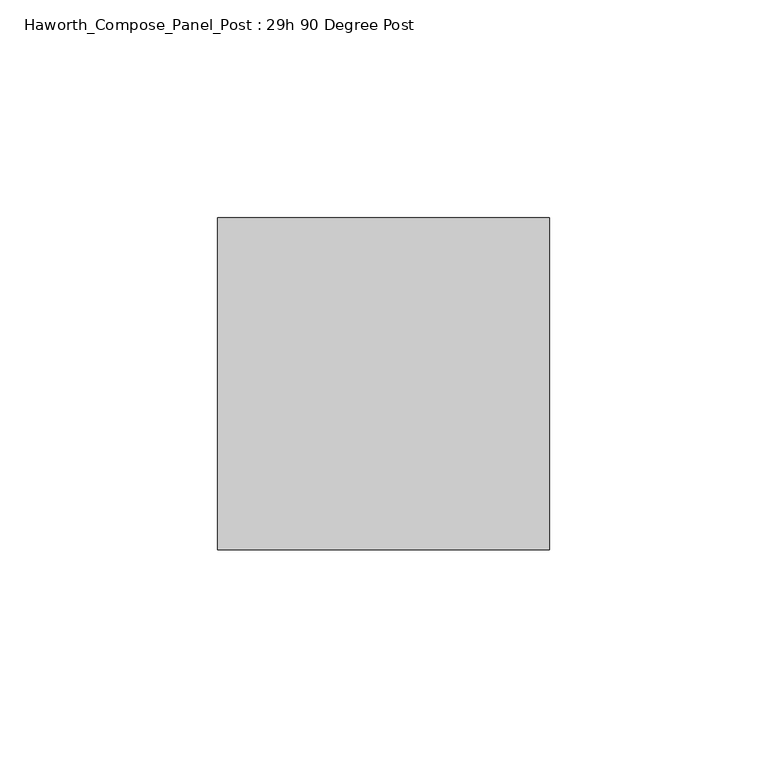
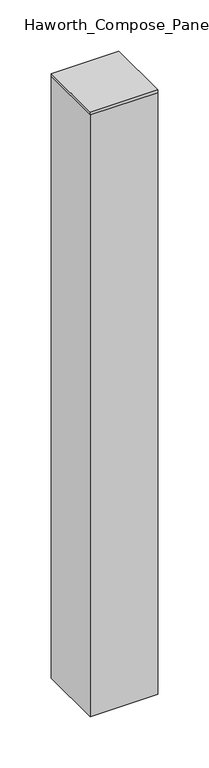
"""IFC4 building model written with IfcOpenShell, lengths in millimetres: furniture geometry, Haworth_Compose_Panel_Post : 29h 90 Degree Post."""

from ifc_helpers import new_model, si_unit, frame, origin, place, context, project, spatial, polyline, outline, extrude, source, transform, mapped, element, save


def haworth_compose_panel_post_29h_90_degree_post_e14872f3(model_context):
    return source(origin(), model_context, "Body", "SweptSolid", [
        extrude(outline(polyline([(0.0, 38.1), (76.2, 38.1), (76.2, -38.1), (0.0, -38.1), (0.0, 38.1)])), frame((0.0, 0.0, 730.25), z_axis=(0.0, 0.0, 1.0), x_axis=(1.0, 0.0, 0.0)), (0.0, 0.0, 1.0), 3.175),
        extrude(outline(polyline([(76.2, 38.1), (76.2, -38.1), (0.0, -38.1), (0.0, 38.1), (76.2, 38.1)])), frame((0.0, 0.0, 12.7), z_axis=(0.0, 0.0, 1.0), x_axis=(1.0, 0.0, 0.0)), (0.0, 0.0, 1.0), 717.55),
    ])


if __name__ == "__main__":
    model = new_model("IFC4")
    model_context = context("Model", 3, world=origin())
    ifc_project = project(units=[si_unit("LENGTHUNIT", "METRE", prefix="MILLI")], contexts=[model_context])
    site = spatial("IfcSite", under=ifc_project)
    building = spatial("IfcBuilding", under=site)
    placement = place(None, origin())
    haworth_compose_panel_post_29h_90_degree_post_shape = haworth_compose_panel_post_29h_90_degree_post_e14872f3(model_context)
    element("IfcFurniture", 1, ObjectType="Haworth_Compose_Panel_Post : 29h 90 Degree Post", at=placement, inside=building, context=model_context, shape_type="MappedRepresentation", body=[
        mapped(haworth_compose_panel_post_29h_90_degree_post_shape, transform((0.0, 0.0, 0.0), x_axis=(1.0, 0.0, 0.0), y_axis=(0.0, 1.0, 0.0), z_axis=(0.0, 0.0, 1.0))),
    ])
    save(model, "model.ifc")
